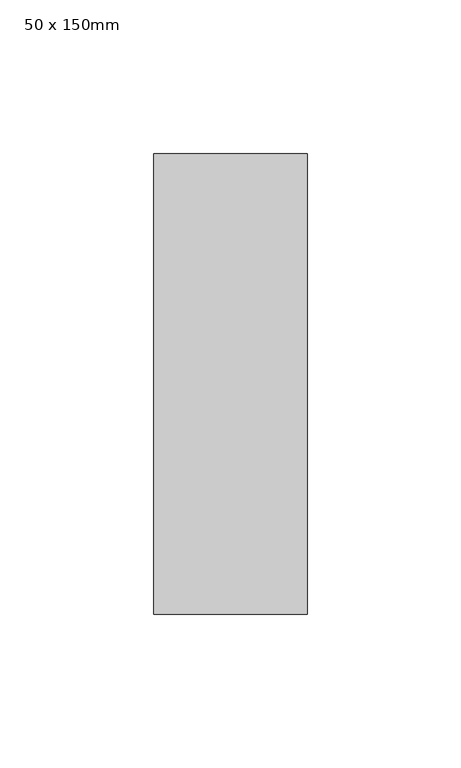
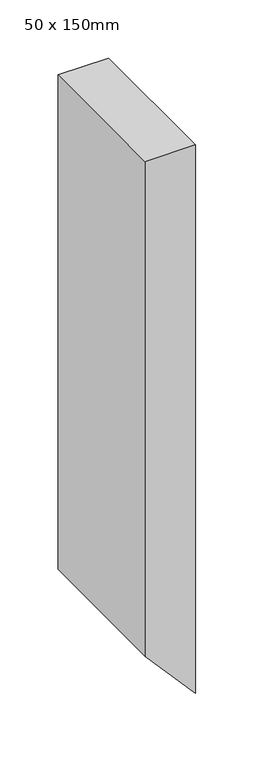
"""IFC4 building model written with IfcOpenShell, lengths in millimetres: member geometry, 50 x 150mm."""

from ifc_helpers import new_model, si_unit, frame, origin, place, context, project, spatial, polyline, outline, extrude, source, transform, mapped, element, save


def member_50_x_150mm_10ca8304(model_context):
    return source(origin(), model_context, "Body", "SweptSolid", [
        extrude(outline(polyline([(0.0, 0.0), (0.0, -50.0), (-518.7479272, -50.0), (-575.2025073, 0.0), (0.0, 0.0)])), frame((0.0, -75.0, 0.0), z_axis=(0.0, 1.0, 0.0), x_axis=(0.0, 0.0, 1.0)), (0.0, 0.0, 1.0), 150.0),
    ])


if __name__ == "__main__":
    model = new_model("IFC4")
    model_context = context("Model", 3, world=origin())
    ifc_project = project(units=[si_unit("LENGTHUNIT", "METRE", prefix="MILLI")], contexts=[model_context])
    site = spatial("IfcSite", under=ifc_project)
    building = spatial("IfcBuilding", under=site)
    placement = place(None, origin())
    member_50_x_150mm_shape = member_50_x_150mm_10ca8304(model_context)
    element("IfcMember", 1, ObjectType="50 x 150mm", at=placement, inside=building, context=model_context, shape_type="MappedRepresentation", body=[
        mapped(member_50_x_150mm_shape, transform((0.0, 0.0, 0.0), x_axis=(1.0, 0.0, 0.0), y_axis=(0.0, 1.0, 0.0), z_axis=(0.0, 0.0, 1.0))),
    ])
    save(model, "model.ifc")
